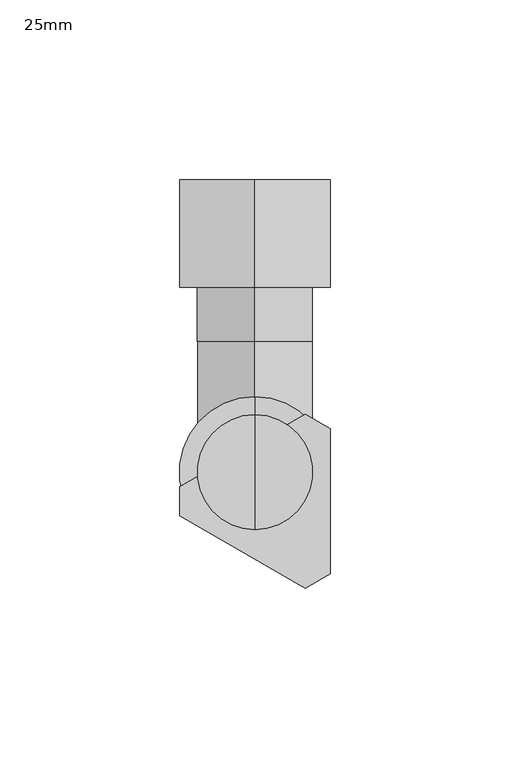
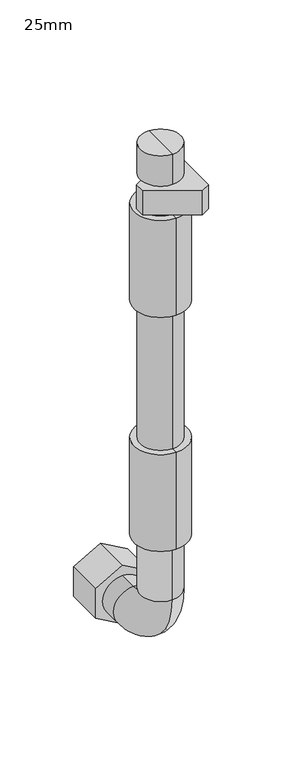
"""IFC4 building model written with IfcOpenShell, lengths in millimetres: proxy geometry, 25mm."""

from ifc_helpers import new_model, si_unit, point, frame, origin, place, context, project, spatial, polyline, circle_curve, ellipse_curve, trimmed, outline, extrude, source, transform, mapped, element, save
from ifc_brep_helpers import plane_surface, cylinder_surface, revolved_surface, advanced_brep


def proxy_25mm_ac3bb3da(model_context):
    return source(origin(), model_context, "Body", "SolidModel", [
        advanced_brep(
        [(0.0, -61.5, 275.0), (0.0, -45.5, 275.0), (0.0, -77.5, 275.0), (0.0, -77.5, 161.5), (0.0, -45.5, 161.5), (0.0, -61.5, 161.5)],
        [
            (0, 1),
            (1, 2, circle_curve(frame((0.0, -61.5, 275.0), z_axis=(0.0, 0.0, 1.0), x_axis=(0.0, 1.0, 0.0)), 16.0)),
            (2, 0),
            (2, 1, circle_curve(frame((0.0, -61.5, 275.0), z_axis=(0.0, 0.0, 1.0), x_axis=(0.0, 1.0, 0.0)), 16.0)),
            (3, 4, circle_curve(frame((0.0, -61.5, 161.5), z_axis=(0.0, 0.0, -1.0), x_axis=(0.0, 1.0, 0.0)), 16.0)),
            (4, 5),
            (5, 3),
            (4, 3, circle_curve(frame((0.0, -61.5, 161.5), z_axis=(0.0, 0.0, -1.0), x_axis=(0.0, 1.0, 0.0)), 16.0)),
            (1, 4),
            (3, 2),
        ],
        [
            plane_surface(frame((0.0, -61.5, 275.0), z_axis=(0.0, 0.0, 1.0), x_axis=(0.0, 1.0, 0.0))),
            plane_surface(frame((0.0, -61.5, 161.5), z_axis=(0.0, 0.0, -1.0), x_axis=(0.0, 1.0, 0.0))),
            cylinder_surface(frame((0.0, -61.5, -86.4854631), z_axis=(0.0, 0.0, 1.0), x_axis=(0.0, 1.0, 0.0)), 16.0),
        ],
        [
            (0, [[1, 2, 3]]),
            (0, [[-3, 4, -1]]),
            (1, [[5, 6, 7]]),
            (1, [[8, -7, -6]]),
            (2, [[-2, 9, -5, 10]]),
            (2, [[-4, -10, -8, -9]]),
        ],
    ),
        advanced_brep(
        [(0.0, -82.5, 275.0), (0.0, -40.5, 275.0), (0.0, -61.5, 275.0), (0.0, -82.5, 355.0), (0.0, -40.5, 355.0), (0.0, -61.5, 355.0)],
        [
            (0, 1, circle_curve(frame((0.0, -61.5, 275.0), z_axis=(0.0, 0.0, -1.0), x_axis=(0.0, 1.0, 0.0)), 21.0)),
            (1, 2),
            (2, 0),
            (1, 0, circle_curve(frame((0.0, -61.5, 275.0), z_axis=(0.0, 0.0, -1.0), x_axis=(0.0, 1.0, 0.0)), 21.0)),
            (3, 4, circle_curve(frame((0.0, -61.5, 355.0), z_axis=(0.0, 0.0, -1.0), x_axis=(0.0, 1.0, 0.0)), 21.0)),
            (4, 1),
            (0, 3),
            (4, 3, circle_curve(frame((0.0, -61.5, 355.0), z_axis=(0.0, 0.0, -1.0), x_axis=(0.0, 1.0, 0.0)), 21.0)),
            (5, 4),
            (3, 5),
        ],
        [
            plane_surface(frame((0.0, -61.5, 275.0), z_axis=(0.0, 0.0, -1.0), x_axis=(0.0, 1.0, 0.0))),
            cylinder_surface(frame((0.0, -61.5, -86.4854631), z_axis=(0.0, 0.0, 1.0), x_axis=(0.0, 1.0, 0.0)), 21.0),
            plane_surface(frame((0.0, -61.5, 355.0), z_axis=(0.0, 0.0, 1.0), x_axis=(0.0, 1.0, 0.0))),
        ],
        [
            (0, [[1, 2, 3]]),
            (0, [[4, -3, -2]]),
            (1, [[5, 6, -1, 7]]),
            (1, [[8, -7, -4, -6]]),
            (2, [[9, -5, 10]]),
            (2, [[-10, -8, -9]]),
        ],
    ),
        advanced_brep(
        [(0.0, -61.5, 161.5), (0.0, -40.5, 161.5), (0.0, -82.5, 161.5), (0.0, -82.5, 81.5), (0.0, -40.5, 81.5), (0.0, -61.5, 81.5)],
        [
            (0, 1),
            (1, 2, circle_curve(frame((0.0, -61.5, 161.5), z_axis=(0.0, 0.0, 1.0), x_axis=(0.0, 1.0, 0.0)), 21.0)),
            (2, 0),
            (2, 1, circle_curve(frame((0.0, -61.5, 161.5), z_axis=(0.0, 0.0, 1.0), x_axis=(0.0, 1.0, 0.0)), 21.0)),
            (3, 4, circle_curve(frame((0.0, -61.5, 81.5), z_axis=(0.0, 0.0, -1.0), x_axis=(0.0, 1.0, 0.0)), 21.0)),
            (4, 5),
            (5, 3),
            (4, 3, circle_curve(frame((0.0, -61.5, 81.5), z_axis=(0.0, 0.0, -1.0), x_axis=(0.0, 1.0, 0.0)), 21.0)),
            (1, 4),
            (3, 2),
        ],
        [
            plane_surface(frame((0.0, -61.5, 161.5), z_axis=(0.0, 0.0, 1.0), x_axis=(0.0, 1.0, 0.0))),
            plane_surface(frame((0.0, -61.5, 81.5), z_axis=(0.0, 0.0, -1.0), x_axis=(0.0, 1.0, 0.0))),
            cylinder_surface(frame((0.0, -61.5, -86.4854631), z_axis=(0.0, 0.0, 1.0), x_axis=(0.0, 1.0, 0.0)), 21.0),
        ],
        [
            (0, [[1, 2, 3]]),
            (0, [[-3, 4, -1]]),
            (1, [[5, 6, 7]]),
            (1, [[8, -7, -6]]),
            (2, [[-2, 9, -5, 10]]),
            (2, [[-4, -10, -8, -9]]),
        ],
    ),
        advanced_brep(
        [(0.0, -61.5, 405.0), (0.0, -45.5, 405.0), (0.0, -77.5, 405.0), (0.0, -77.5, 380.0), (0.0, -45.5, 380.0), (0.0, -61.5, 380.0)],
        [
            (0, 1),
            (1, 2, circle_curve(frame((0.0, -61.5, 405.0), z_axis=(0.0, 0.0, 1.0), x_axis=(0.0, 1.0, 0.0)), 16.0)),
            (2, 0),
            (2, 1, circle_curve(frame((0.0, -61.5, 405.0), z_axis=(0.0, 0.0, 1.0), x_axis=(0.0, 1.0, 0.0)), 16.0)),
            (3, 4, circle_curve(frame((0.0, -61.5, 380.0), z_axis=(0.0, 0.0, -1.0), x_axis=(0.0, 1.0, 0.0)), 16.0)),
            (4, 5),
            (5, 3),
            (4, 3, circle_curve(frame((0.0, -61.5, 380.0), z_axis=(0.0, 0.0, -1.0), x_axis=(0.0, 1.0, 0.0)), 16.0)),
            (1, 4),
            (3, 2),
        ],
        [
            plane_surface(frame((0.0, -61.5, 405.0), z_axis=(0.0, 0.0, 1.0), x_axis=(0.0, 1.0, 0.0))),
            plane_surface(frame((0.0, -61.5, 380.0), z_axis=(0.0, 0.0, -1.0), x_axis=(0.0, 1.0, 0.0))),
            cylinder_surface(frame((0.0, -61.5, -86.4854631), z_axis=(0.0, 0.0, 1.0), x_axis=(0.0, 1.0, 0.0)), 16.0),
        ],
        [
            (0, [[1, 2, 3]]),
            (0, [[-3, 4, -1]]),
            (1, [[5, 6, 7]]),
            (1, [[8, -7, -6]]),
            (2, [[-2, 9, -5, 10]]),
            (2, [[-4, -10, -8, -9]]),
        ],
    ),
        advanced_brep(
        [(0.0, -77.5, 355.0), (0.0, -45.5, 355.0), (0.0, -61.5, 355.0), (0.0, -77.5, 360.0), (0.0, -45.5, 360.0), (0.0, -61.5, 360.0)],
        [
            (0, 1, circle_curve(frame((0.0, -61.5, 355.0), z_axis=(0.0, 0.0, -1.0), x_axis=(0.0, 1.0, 0.0)), 16.0)),
            (1, 2),
            (2, 0),
            (1, 0, circle_curve(frame((0.0, -61.5, 355.0), z_axis=(0.0, 0.0, -1.0), x_axis=(0.0, 1.0, 0.0)), 16.0)),
            (3, 4, circle_curve(frame((0.0, -61.5, 360.0), z_axis=(0.0, 0.0, -1.0), x_axis=(0.0, 1.0, 0.0)), 16.0)),
            (4, 1),
            (0, 3),
            (4, 3, circle_curve(frame((0.0, -61.5, 360.0), z_axis=(0.0, 0.0, -1.0), x_axis=(0.0, 1.0, 0.0)), 16.0)),
            (5, 4),
            (3, 5),
        ],
        [
            plane_surface(frame((0.0, -61.5, 355.0), z_axis=(0.0, 0.0, -1.0), x_axis=(0.0, 1.0, 0.0))),
            cylinder_surface(frame((0.0, -61.5, -86.4854631), z_axis=(0.0, 0.0, 1.0), x_axis=(0.0, 1.0, 0.0)), 16.0),
            plane_surface(frame((0.0, -61.5, 360.0), z_axis=(0.0, 0.0, 1.0), x_axis=(0.0, 1.0, 0.0))),
        ],
        [
            (0, [[1, 2, 3]]),
            (0, [[4, -3, -2]]),
            (1, [[5, 6, -1, 7]]),
            (1, [[8, -7, -4, -6]]),
            (2, [[9, -5, 10]]),
            (2, [[-10, -8, -9]]),
        ],
    ),
        advanced_brep(
        [(-21.0, -10.0, 12.1243557), (-21.0, -10.0, -12.1243557), (0.0, -10.0, -24.2487113), (21.0, -10.0, -12.1243557), (21.0, -10.0, 12.1243557), (0.0, -10.0, 24.2487113), (-21.0, 20.0, 12.1243557), (0.0, 20.0, 24.2487113), (21.0, 20.0, 12.1243557), (21.0, 20.0, -12.1243557), (0.0, 20.0, -24.2487113), (-21.0, 20.0, -12.1243557), (0.0, 20.0, 16.0), (0.0, 20.0, -16.0), (0.0, 0.0, 0.0), (0.0, 0.0, -16.0), (0.0, 0.0, 16.0)],
        [
            (0, 1),
            (1, 2),
            (2, 3),
            (3, 4),
            (4, 5),
            (5, 0),
            (6, 7),
            (7, 8),
            (8, 9),
            (9, 10),
            (10, 11),
            (11, 6),
            (12, 13, circle_curve(frame((0.0, 20.0, 0.0), z_axis=(0.0, -1.0, 0.0), x_axis=(0.0, 0.0, 1.0)), 16.0)),
            (13, 12, circle_curve(frame((0.0, 20.0, 0.0), z_axis=(0.0, -1.0, 0.0), x_axis=(0.0, 0.0, 1.0)), 16.0)),
            (0, 6),
            (11, 1),
            (10, 2),
            (9, 3),
            (8, 4),
            (7, 5),
            (14, 15),
            (15, 16, circle_curve(frame((0.0, 0.0, 0.0), z_axis=(0.0, 1.0, 0.0), x_axis=(0.0, 0.0, 1.0)), 16.0)),
            (16, 14),
            (16, 15, circle_curve(frame((0.0, 0.0, 0.0), z_axis=(0.0, 1.0, 0.0), x_axis=(0.0, 0.0, 1.0)), 16.0)),
            (15, 13),
            (12, 16),
        ],
        [
            plane_surface(frame((-21.0, -10.0, -12.1243557), z_axis=(0.0, -1.0, 0.0), x_axis=(0.0, 0.0, -1.0))),
            plane_surface(frame((-21.0, 20.0, -12.1243557), z_axis=(0.0, 1.0, 0.0), x_axis=(0.0, 0.0, 1.0))),
            plane_surface(frame((-21.0, -10.0, 12.1243557), z_axis=(-1.0, 0.0, 0.0), x_axis=(0.0, 1.0, 0.0))),
            plane_surface(frame((-21.0, -10.0, -12.1243557), z_axis=(-0.5000000000000095, 0.0, -0.8660254037844332), x_axis=(0.0, 1.0, 0.0))),
            plane_surface(frame((0.0, -10.0, -24.2487113), z_axis=(0.49999999999999195, 0.0, -0.8660254037844434), x_axis=(0.0, 1.0, 0.0))),
            plane_surface(frame((21.0, -10.0, -12.1243557), z_axis=(1.0, 0.0, 0.0), x_axis=(0.0, 1.0, 0.0))),
            plane_surface(frame((21.0, -10.0, 12.1243557), z_axis=(0.5000000000000097, 0.0, 0.866025403784433), x_axis=(0.0, 1.0, 0.0))),
            plane_surface(frame((0.0, -10.0, 24.2487113), z_axis=(-0.4999999999999921, 0.0, 0.8660254037844433), x_axis=(0.0, 1.0, 0.0))),
            plane_surface(frame((0.0, 0.0, 0.0), z_axis=(0.0, 1.0, 0.0), x_axis=(0.0, 0.0, 1.0))),
            revolved_surface(polyline([(0.0, 0.0, 16.0), (0.0, 20.0, 16.0)]), (0.0, 2097.4086068, 0.0), (0.0, -1.0, 0.0)),
        ],
        [
            (0, [[1, 2, 3, 4, 5, 6]]),
            (1, [[7, 8, 9, 10, 11, 12], [13, 14]]),
            (2, [[-1, 15, -12, 16]]),
            (3, [[-2, -16, -11, 17]]),
            (4, [[-3, -17, -10, 18]]),
            (5, [[-4, -18, -9, 19]]),
            (6, [[-5, -19, -8, 20]]),
            (7, [[-6, -20, -7, -15]]),
            (8, [[21, 22, 23]]),
            (8, [[-21, -23, 24]]),
            (9, [[-22, 25, -13, 26]]),
            (9, [[-24, -26, -14, -25]]),
        ],
    ),
        advanced_brep(
        [(0.0, -10.0, 16.0), (0.0, -10.0, -16.0), (0.0, -25.0, 16.0), (0.0, -25.0, -16.0), (0.0, -77.5, 36.5), (0.0, -45.5, 36.5), (0.0, -45.5, 81.5), (0.0, -77.5, 81.5)],
        [
            (0, 1, circle_curve(frame((0.0, -10.0, 0.0), z_axis=(0.0, 1.0, 0.0), x_axis=(0.0, 0.0, -1.0)), 16.0)),
            (1, 0, circle_curve(frame((0.0, -10.0, 0.0), z_axis=(0.0, 1.0, 0.0), x_axis=(0.0, 0.0, -1.0)), 16.0)),
            (0, 2),
            (2, 3, circle_curve(frame((0.0, -25.0, 0.0), z_axis=(0.0, 1.0, 0.0), x_axis=(0.0, 0.0, -1.0)), 16.0)),
            (3, 1),
            (3, 2, circle_curve(frame((0.0, -25.0, 0.0), z_axis=(0.0, 1.0, 0.0), x_axis=(0.0, 0.0, -1.0)), 16.0)),
            (4, 3, circle_curve(frame((0.0, -25.0, 36.5), z_axis=(1.0, 0.0, 0.0), x_axis=(0.0, 0.0, -1.0)), 52.5)),
            (2, 5, circle_curve(frame((0.0, -25.0, 36.5), z_axis=(-1.0, 0.0, 0.0), x_axis=(0.0, 0.0, -1.0)), 20.5)),
            (5, 4, circle_curve(frame((0.0, -61.5, 36.5), z_axis=(0.0, 0.0, -1.0), x_axis=(0.0, -1.0, 0.0)), 16.0)),
            (4, 5, circle_curve(frame((0.0, -61.5, 36.5), z_axis=(0.0, 0.0, -1.0), x_axis=(0.0, -1.0, 0.0)), 16.0)),
            (6, 7, circle_curve(frame((0.0, -61.5, 81.5), z_axis=(0.0, 0.0, 1.0), x_axis=(0.0, -1.0, 0.0)), 16.0)),
            (7, 6, circle_curve(frame((0.0, -61.5, 81.5), z_axis=(0.0, 0.0, 1.0), x_axis=(0.0, -1.0, 0.0)), 16.0)),
            (5, 6),
            (7, 4),
        ],
        [
            plane_surface(frame((0.0, -10.0, 0.0), z_axis=(0.0, 1.0, 0.0), x_axis=(1.0, 0.0, 0.0))),
            cylinder_surface(frame((0.0, -10.0, 0.0), z_axis=(0.0, 1.0, 0.0), x_axis=(0.0, 0.0, -1.0)), 16.0),
            revolved_surface(trimmed(ellipse_curve(frame((0.0, -25.0, 0.0), z_axis=(0.0, 1.0, 0.0), x_axis=(0.0, 0.0, -1.0)), 16.0, 16.0), [point((0.0, -25.0, 16.0))], [point((0.0, -25.0, -16.0))], True, "CARTESIAN"), (0.0, -25.0, 36.5), (-1.0, 0.0, 0.0)),
            revolved_surface(trimmed(ellipse_curve(frame((0.0, -25.0, 0.0), z_axis=(0.0, 1.0, 0.0), x_axis=(0.0, 0.0, -1.0)), 16.0, 16.0), [point((0.0, -25.0, -16.0))], [point((0.0, -25.0, 16.0))], True, "CARTESIAN"), (0.0, -25.0, 36.5), (-1.0, 0.0, 0.0)),
            plane_surface(frame((0.0, -61.5, 81.5), z_axis=(0.0, 0.0, 1.0), x_axis=(1.0, 0.0, 0.0))),
            cylinder_surface(frame((0.0, -61.5, 36.5), z_axis=(0.0, 0.0, -1.0), x_axis=(0.0, -1.0, 0.0)), 16.0),
        ],
        [
            (0, [[1, 2]]),
            (1, [[-1, 3, 4, 5]]),
            (1, [[-2, -5, 6, -3]]),
            (2, [[7, -4, 8, 9]]),
            (3, [[-8, -6, -7, 10]]),
            (4, [[11, 12]]),
            (5, [[-9, 13, -12, 14]]),
            (5, [[-10, -14, -11, -13]]),
        ],
    ),
        extrude(outline(polyline([(14.0, -93.8316151), (-21.0, -73.6243557), (-21.0, -65.5414519), (14.0, -45.3341925), (21.0, -49.3756443), (21.0, -89.7901632), (14.0, -93.8316151)])), frame((0.0, 0.0, 360.0), z_axis=(0.0, 0.0, 1.0), x_axis=(1.0, 0.0, 0.0)), (0.0, 0.0, 1.0), 20.0),
    ])


if __name__ == "__main__":
    model = new_model("IFC4")
    model_context = context("Model", 3, world=origin())
    ifc_project = project(units=[si_unit("LENGTHUNIT", "METRE", prefix="MILLI")], contexts=[model_context])
    site = spatial("IfcSite", under=ifc_project)
    building = spatial("IfcBuilding", under=site)
    placement = place(None, origin())
    proxy_25mm_shape = proxy_25mm_ac3bb3da(model_context)
    element("IfcBuildingElementProxy", 1, Name="25mm", ObjectType="25mm", at=placement, inside=building, context=model_context, shape_type="MappedRepresentation", body=[
        mapped(proxy_25mm_shape, transform((0.0, 0.0, 0.0), x_axis=(1.0, 0.0, 0.0), y_axis=(0.0, 1.0, 0.0), z_axis=(0.0, 0.0, 1.0))),
    ])
    save(model, "model.ifc")
